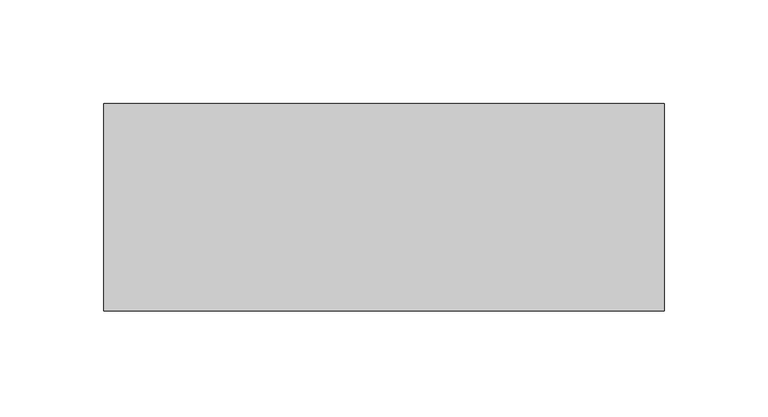
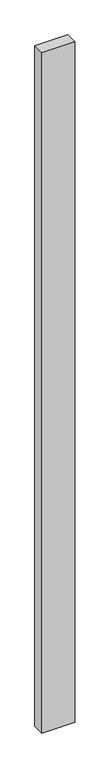
"""IFC4 building model written with IfcOpenShell, lengths in millimetres: proxy geometry."""

from ifc_helpers import new_model, si_unit, frame, origin, place, context, project, spatial, polyline, outline, extrude, source, transform, mapped, element, save


def generic_models_5f4f97f2(model_context):
    return source(origin(), model_context, "Body", "SweptSolid", [
        extrude(outline(polyline([(270.0, 100.0), (270.0, 0.0), (0.0, 0.0), (0.0, 100.0), (270.0, 100.0)])), frame((0.0, 0.0, -5900.0), z_axis=(0.0, 0.0, 1.0), x_axis=(1.0, 0.0, 0.0)), (0.0, 0.0, 1.0), 5900.0),
    ])


if __name__ == "__main__":
    model = new_model("IFC4")
    model_context = context("Model", 3, world=origin())
    ifc_project = project(units=[si_unit("LENGTHUNIT", "METRE", prefix="MILLI")], contexts=[model_context])
    site = spatial("IfcSite", under=ifc_project)
    building = spatial("IfcBuilding", under=site)
    placement = place(None, origin())
    generic_models_shape = generic_models_5f4f97f2(model_context)
    element("IfcBuildingElementProxy", 1, Name="Generic Models", at=placement, inside=building, context=model_context, shape_type="MappedRepresentation", body=[
        mapped(generic_models_shape, transform((0.0, 0.0, 0.0), x_axis=(1.0, 0.0, 0.0), y_axis=(0.0, 1.0, 0.0), z_axis=(0.0, 0.0, 1.0))),
    ])
    save(model, "model.ifc")
